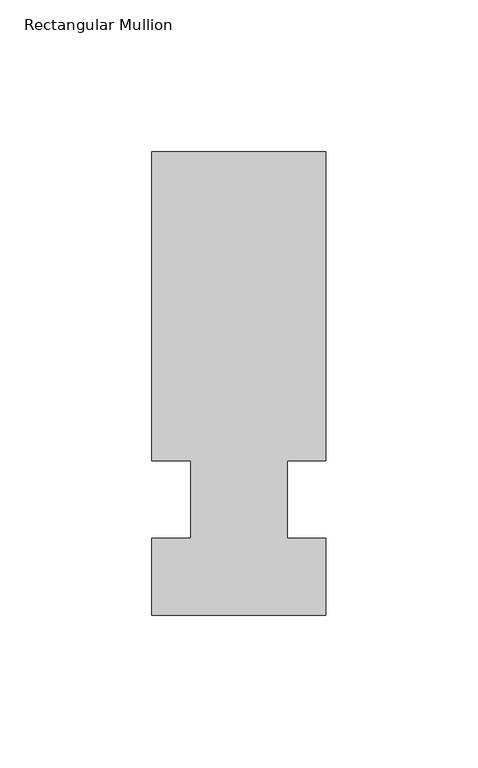
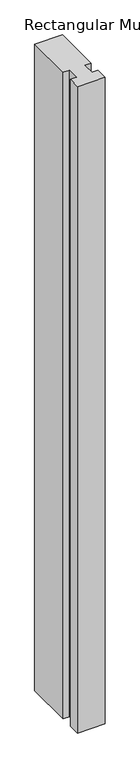
"""IFC4 building model written with IfcOpenShell, lengths in millimetres: member geometry, Rectangular Mullion."""

from ifc_helpers import new_model, si_unit, frame, origin, place, context, project, spatial, polyline, outline, extrude, source, transform, mapped, element, save


def rectangular_mullion_b750e387(model_context):
    return source(origin(), model_context, "Body", "SweptSolid", [
        extrude(outline(polyline([(32.9094027, 114.3), (32.9094027, 12.7), (20.2076322, 12.7), (20.2076322, -12.7), (32.9094027, -12.7), (32.9094027, -38.1), (-24.2405973, -38.1), (-24.2405973, -12.7), (-11.5405973, -12.7), (-11.5405973, 12.7), (-24.2405973, 12.7), (-24.2405973, 114.3), (32.9094027, 114.3)])), frame((0.0, 0.0, -1407.482264), z_axis=(0.0, 0.0, 1.0), x_axis=(1.0, 0.0, 0.0)), (0.0, 0.0, 1.0), 1407.482264),
    ])


if __name__ == "__main__":
    model = new_model("IFC4")
    model_context = context("Model", 3, world=origin())
    ifc_project = project(units=[si_unit("LENGTHUNIT", "METRE", prefix="MILLI")], contexts=[model_context])
    site = spatial("IfcSite", under=ifc_project)
    building = spatial("IfcBuilding", under=site)
    placement = place(None, origin())
    rectangular_mullion_shape = rectangular_mullion_b750e387(model_context)
    element("IfcMember", 1, ObjectType="Rectangular Mullion", at=placement, inside=building, context=model_context, shape_type="MappedRepresentation", body=[
        mapped(rectangular_mullion_shape, transform((0.0, 0.0, 0.0), x_axis=(1.0, 0.0, 0.0), y_axis=(0.0, 1.0, 0.0), z_axis=(0.0, 0.0, 1.0))),
    ])
    save(model, "model.ifc")
